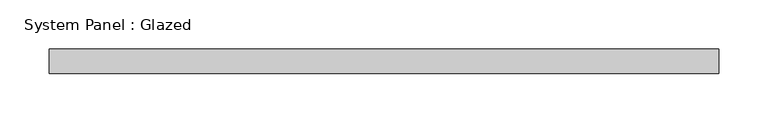
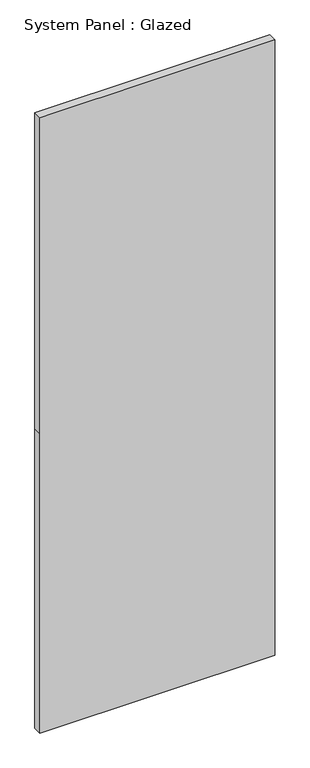
"""IFC4 building model written with IfcOpenShell, lengths in millimetres: plate geometry, System Panel : Glazed."""

from ifc_helpers import new_model, si_unit, frame, origin, place, context, project, spatial, polyline, outline, extrude, source, transform, mapped, element, save


def system_panel_glazed_e35f7878(model_context):
    return source(origin(), model_context, "Body", "SweptSolid", [
        extrude(outline(polyline([(0.0, -340.0), (0.0, 340.0), (916.6666667, 340.0), (1885.0, 340.0), (1885.0, -340.0), (916.6666667, -340.0), (0.0, -340.0)])), frame((0.0, 24.5, 0.0), z_axis=(0.0, 1.0, 0.0), x_axis=(0.0, 0.0, 1.0)), (0.0, 0.0, 1.0), 25.0),
    ])


if __name__ == "__main__":
    model = new_model("IFC4")
    model_context = context("Model", 3, world=origin())
    ifc_project = project(units=[si_unit("LENGTHUNIT", "METRE", prefix="MILLI")], contexts=[model_context])
    site = spatial("IfcSite", under=ifc_project)
    building = spatial("IfcBuilding", under=site)
    placement = place(None, origin())
    system_panel_glazed_shape = system_panel_glazed_e35f7878(model_context)
    element("IfcPlate", 1, ObjectType="System Panel : Glazed", at=placement, inside=building, context=model_context, shape_type="MappedRepresentation", body=[
        mapped(system_panel_glazed_shape, transform((0.0, 0.0, 0.0), x_axis=(1.0, 0.0, 0.0), y_axis=(0.0, 1.0, 0.0), z_axis=(0.0, 0.0, 1.0))),
    ])
    save(model, "model.ifc")
